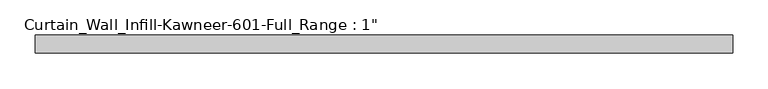
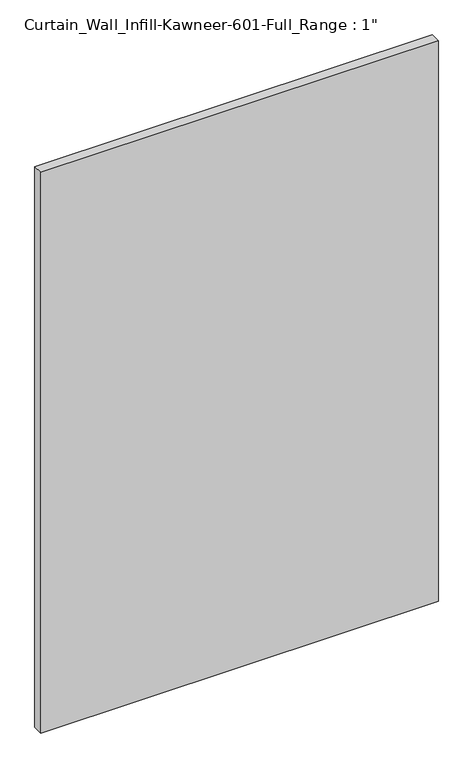
"""IFC4 building model written with IfcOpenShell, lengths in millimetres: plate geometry."""

from ifc_helpers import new_model, si_unit, origin, origin_with_axes, place, context, project, spatial, polyline, outline, extrude, source, transform, mapped, element, save


def plate_6352c529(model_context):
    return source(origin(), model_context, "Body", "SweptSolid", [
        extrude(outline(polyline([(-492.125, 12.7), (492.125, 12.7), (492.125, -12.7), (-492.125, -12.7), (-492.125, 12.7)])), origin_with_axes(), (0.0, 0.0, 1.0), 1466.85),
    ])


if __name__ == "__main__":
    model = new_model("IFC4")
    model_context = context("Model", 3, world=origin())
    ifc_project = project(units=[si_unit("LENGTHUNIT", "METRE", prefix="MILLI")], contexts=[model_context])
    site = spatial("IfcSite", under=ifc_project)
    building = spatial("IfcBuilding", under=site)
    placement = place(None, origin())
    plate_shape = plate_6352c529(model_context)
    element("IfcPlate", 1, ObjectType="Curtain_Wall_Infill-Kawneer-601-Full_Range : 1\"", at=placement, inside=building, context=model_context, shape_type="MappedRepresentation", body=[
        mapped(plate_shape, transform((0.0, 0.0, 0.0), x_axis=(1.0, 0.0, 0.0), y_axis=(0.0, 1.0, 0.0), z_axis=(0.0, 0.0, 1.0))),
    ])
    save(model, "model.ifc")
